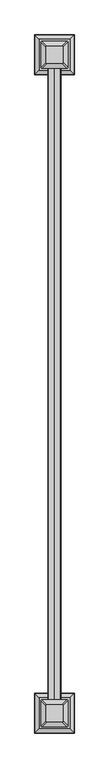
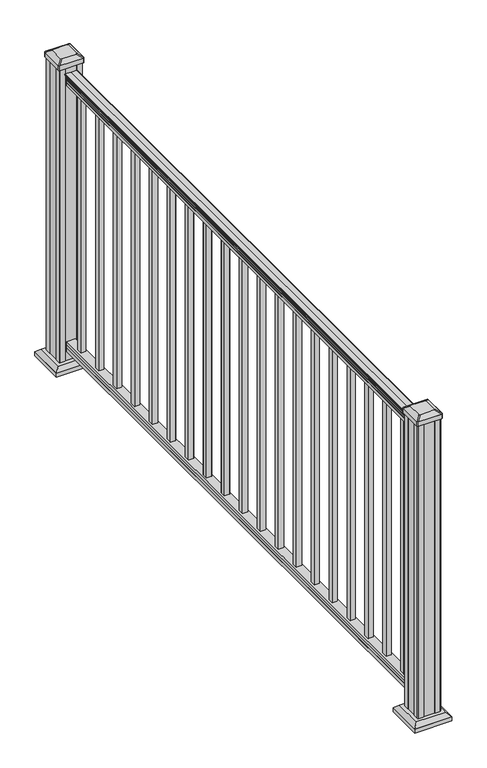
"""IFC4 building model written with IfcOpenShell, lengths in millimetres: railing geometry."""

from ifc_helpers import new_model, si_unit, point, frame, frame_2d, origin, origin_with_axes, place, context, project, spatial, polyline, circle_curve, trimmed, segment, composite_curve, outline, extrude, faceted_brep, source, transform, mapped, element, save
from ifc_brep_helpers import plane_surface, cylinder_surface, revolved_surface, extruded_surface, advanced_brep


def railing_ccd1b922(model_context):
    return source(origin(), model_context, "Body", "SolidModel", [
        advanced_brep(
        [(4217.5291125, 2046.8700183, 1090.8043297), (4220.1029412, 2046.8700183, 1090.8043297), (4220.1029412, 2046.8700183, 1080.147013), (4219.0869412, 2046.8700183, 1079.131013), (4219.0869412, 2046.8700183, 1066.8), (4250.8369412, 2046.8700183, 1066.8), (4250.8369412, 2046.8700183, 1079.2888283), (4249.8209412, 2046.8700183, 1080.3048283), (4249.8209412, 2046.8700183, 1090.8043297), (4252.3947699, 2046.8700183, 1090.8043297), (4252.3947699, 2046.8700183, 1092.692412), (4253.5249562, 2046.8700183, 1094.2546695), (4253.5249562, 2046.8700183, 1101.4726458), (4252.8756998, 2046.8700183, 1103.9060812), (4255.3756998, 2046.8700183, 1108.2362083), (4256.7850423, 2046.8700183, 1109.9157972), (4257.1869413, 2046.8700183, 1111.0205318), (4257.1869412, 2046.8700183, 1112.3608158), (4255.633494, 2046.8700183, 1113.914263), (4234.9619412, 2046.8700183, 1113.914263), (4214.2903884, 2046.8700183, 1113.914263), (4212.7369412, 2046.8700183, 1112.3608158), (4212.7369412, 2046.8700183, 1111.0205318), (4213.1388401, 2046.8700183, 1109.9157972), (4214.5481826, 2046.8700183, 1108.2362083), (4217.0481826, 2046.8700183, 1103.9060812), (4216.3989262, 2046.8700183, 1101.4726458), (4216.3989262, 2046.8700183, 1094.2546695), (4217.5291125, 2046.8700183, 1092.692412), (4217.5291125, 4180.4700183, 1090.8043297), (4217.5291125, 4180.4700183, 1092.692412), (4216.3989262, 4180.4700183, 1094.2546695), (4216.3989262, 4180.4700183, 1101.4726458), (4217.0481826, 4180.4700183, 1103.9060812), (4214.5481826, 4180.4700183, 1108.2362083), (4213.1388401, 4180.4700183, 1109.9157972), (4212.7369411, 4180.4700183, 1111.0205318), (4212.7369412, 4180.4700183, 1112.3608158), (4214.2903884, 4180.4700183, 1113.914263), (4234.9619412, 4180.4700183, 1113.914263), (4255.633494, 4180.4700183, 1113.914263), (4257.1869412, 4180.4700183, 1112.3608158), (4257.1869412, 4180.4700183, 1111.0205318), (4256.7850423, 4180.4700183, 1109.9157972), (4255.3756998, 4180.4700183, 1108.2362083), (4252.8756998, 4180.4700183, 1103.9060812), (4253.5249562, 4180.4700183, 1101.4726458), (4253.5249562, 4180.4700183, 1094.2546695), (4252.3947699, 4180.4700183, 1092.692412), (4252.3947699, 4180.4700183, 1090.8043297), (4249.8209412, 4180.4700183, 1090.8043297), (4249.8209412, 4180.4700183, 1080.3048283), (4250.8369412, 4180.4700183, 1079.2888283), (4250.8369412, 4180.4700183, 1066.8), (4219.0869412, 4180.4700183, 1066.8), (4219.0869412, 4180.4700183, 1079.131013), (4220.1029412, 4180.4700183, 1080.147013), (4220.1029412, 4180.4700183, 1090.8043297)],
        [
            (0, 1, circle_curve(frame((4218.8160268, 2046.8700183, 1090.8043297), z_axis=(0.0, -1.0, 0.0), x_axis=(1.0, 0.0, 0.0)), 1.2869144)),
            (1, 2),
            (2, 3),
            (3, 4),
            (4, 5),
            (5, 6),
            (6, 7),
            (7, 8),
            (8, 9, circle_curve(frame((4251.1078556, 2046.8700183, 1090.8043297), z_axis=(0.0, -1.0, 0.0), x_axis=(-1.0, 0.0, 0.0)), 1.2869144)),
            (9, 10),
            (10, 11, circle_curve(frame((4246.0800167, 2046.8700183, 1098.4506383), z_axis=(0.0, -1.0, 0.0), x_axis=(-1.0, 0.0, 0.0)), 8.545951)),
            (11, 12, circle_curve(frame((4246.5170796, 2046.8700183, 1097.8636577), z_axis=(0.0, -1.0, 0.0), x_axis=(-1.0, 0.0, 0.0)), 7.882584)),
            (12, 13, circle_curve(frame((4257.0304038, 2046.8700183, 1103.7112527), z_axis=(0.0, 1.0, 0.0), x_axis=(-1.0, 0.0, 0.0)), 4.1592695)),
            (13, 14, circle_curve(frame((4258.3177103, 2046.8700183, 1103.6508864), z_axis=(0.0, 1.0, 0.0), x_axis=(-1.0, 0.0, 0.0)), 5.4479907)),
            (14, 15, circle_curve(frame((4257.0845519, 2046.8700183, 1108.233395), z_axis=(0.0, 1.0, 0.0), x_axis=(-1.0, 0.0, 0.0)), 1.7088543)),
            (15, 16, circle_curve(frame((4255.4676518, 2046.8700183, 1111.0205318), z_axis=(0.0, -1.0, 0.0), x_axis=(-1.0, 0.0, 0.0)), 1.7192895)),
            (16, 17),
            (17, 18, circle_curve(frame((4255.633494, 2046.8700183, 1112.3608158), z_axis=(0.0, -1.0, 0.0), x_axis=(-1.0, 0.0, 0.0)), 1.5534472)),
            (18, 19),
            (19, 20),
            (20, 21, circle_curve(frame((4214.2903884, 2046.8700183, 1112.3608158), z_axis=(0.0, -1.0, 0.0), x_axis=(1.0, 0.0, 0.0)), 1.5534472)),
            (21, 22),
            (22, 23, circle_curve(frame((4214.4562306, 2046.8700183, 1111.0205318), z_axis=(0.0, -1.0, 0.0), x_axis=(1.0, 0.0, 0.0)), 1.7192895)),
            (23, 24, circle_curve(frame((4212.8393305, 2046.8700183, 1108.233395), z_axis=(0.0, 1.0, 0.0), x_axis=(1.0, 0.0, 0.0)), 1.7088543)),
            (24, 25, circle_curve(frame((4211.6061721, 2046.8700183, 1103.6508864), z_axis=(0.0, 1.0, 0.0), x_axis=(1.0, 0.0, 0.0)), 5.4479907)),
            (25, 26, circle_curve(frame((4212.8934787, 2046.8700183, 1103.7112527), z_axis=(0.0, 1.0, 0.0), x_axis=(1.0, 0.0, 0.0)), 4.1592695)),
            (26, 27, circle_curve(frame((4223.4068028, 2046.8700183, 1097.8636577), z_axis=(0.0, -1.0, 0.0), x_axis=(1.0, 0.0, 0.0)), 7.882584)),
            (27, 28, circle_curve(frame((4223.8438658, 2046.8700183, 1098.4506383), z_axis=(0.0, -1.0, 0.0), x_axis=(1.0, 0.0, 0.0)), 8.545951)),
            (28, 0),
            (29, 30),
            (30, 31, circle_curve(frame((4223.8438658, 4180.4700183, 1098.4506383), z_axis=(0.0, 1.0, 0.0), x_axis=(1.0, 0.0, 0.0)), 8.545951)),
            (31, 32, circle_curve(frame((4223.4068028, 4180.4700183, 1097.8636577), z_axis=(0.0, 1.0, 0.0), x_axis=(1.0, 0.0, 0.0)), 7.882584)),
            (32, 33, circle_curve(frame((4212.8934787, 4180.4700183, 1103.7112527), z_axis=(0.0, -1.0, 0.0), x_axis=(1.0, 0.0, 0.0)), 4.1592695)),
            (33, 34, circle_curve(frame((4211.6061721, 4180.4700183, 1103.6508864), z_axis=(0.0, -1.0, 0.0), x_axis=(1.0, 0.0, 0.0)), 5.4479907)),
            (34, 35, circle_curve(frame((4212.8393305, 4180.4700183, 1108.233395), z_axis=(0.0, -1.0, 0.0), x_axis=(1.0, 0.0, 0.0)), 1.7088543)),
            (35, 36, circle_curve(frame((4214.4562306, 4180.4700183, 1111.0205318), z_axis=(0.0, 1.0, 0.0), x_axis=(1.0, 0.0, 0.0)), 1.7192895)),
            (36, 37),
            (37, 38, circle_curve(frame((4214.2903884, 4180.4700183, 1112.3608158), z_axis=(0.0, 1.0, 0.0), x_axis=(1.0, 0.0, 0.0)), 1.5534472)),
            (38, 39),
            (39, 40),
            (40, 41, circle_curve(frame((4255.633494, 4180.4700183, 1112.3608158), z_axis=(0.0, 1.0, 0.0), x_axis=(-1.0, 0.0, 0.0)), 1.5534472)),
            (41, 42),
            (42, 43, circle_curve(frame((4255.4676518, 4180.4700183, 1111.0205318), z_axis=(0.0, 1.0, 0.0), x_axis=(-1.0, 0.0, 0.0)), 1.7192895)),
            (43, 44, circle_curve(frame((4257.0845519, 4180.4700183, 1108.233395), z_axis=(0.0, -1.0, 0.0), x_axis=(-1.0, 0.0, 0.0)), 1.7088543)),
            (44, 45, circle_curve(frame((4258.3177103, 4180.4700183, 1103.6508864), z_axis=(0.0, -1.0, 0.0), x_axis=(-1.0, 0.0, 0.0)), 5.4479907)),
            (45, 46, circle_curve(frame((4257.0304038, 4180.4700183, 1103.7112527), z_axis=(0.0, -1.0, 0.0), x_axis=(-1.0, 0.0, 0.0)), 4.1592695)),
            (46, 47, circle_curve(frame((4246.5170796, 4180.4700183, 1097.8636577), z_axis=(0.0, 1.0, 0.0), x_axis=(-1.0, 0.0, 0.0)), 7.882584)),
            (47, 48, circle_curve(frame((4246.0800167, 4180.4700183, 1098.4506383), z_axis=(0.0, 1.0, 0.0), x_axis=(-1.0, 0.0, 0.0)), 8.545951)),
            (48, 49),
            (49, 50, circle_curve(frame((4251.1078556, 4180.4700183, 1090.8043297), z_axis=(0.0, 1.0, 0.0), x_axis=(-1.0, 0.0, 0.0)), 1.2869144)),
            (50, 51),
            (51, 52),
            (52, 53),
            (53, 54),
            (54, 55),
            (55, 56),
            (56, 57),
            (57, 29, circle_curve(frame((4218.8160268, 4180.4700183, 1090.8043297), z_axis=(0.0, 1.0, 0.0), x_axis=(1.0, 0.0, 0.0)), 1.2869144)),
            (0, 29),
            (57, 1),
            (56, 2),
            (55, 3),
            (54, 4),
            (53, 5),
            (52, 6),
            (51, 7),
            (50, 8),
            (49, 9),
            (48, 10),
            (47, 11),
            (46, 12),
            (45, 13),
            (44, 14),
            (43, 15),
            (42, 16),
            (41, 17),
            (40, 18),
            (39, 19),
            (38, 20),
            (37, 21),
            (36, 22),
            (35, 23),
            (34, 24),
            (33, 25),
            (32, 26),
            (31, 27),
            (30, 28),
        ],
        [
            plane_surface(frame((4234.9619412, 2046.8700183, 1066.8), z_axis=(0.0, -1.0, 0.0), x_axis=(0.0, 0.0, 1.0))),
            plane_surface(frame((4234.9619412, 4180.4700183, 1066.8), z_axis=(0.0, 1.0, 0.0), x_axis=(0.0, 0.0, 1.0))),
            cylinder_surface(frame((4218.8160268, 2046.8700183, 1090.8043297), z_axis=(0.0, -1.0, 0.0), x_axis=(1.0, 0.0, 0.0)), 1.2869144),
            plane_surface(frame((4220.1029412, 2046.8700183, 1090.8043297), z_axis=(-1.0, 0.0, 0.0), x_axis=(0.0, 1.0, 0.0))),
            plane_surface(frame((4220.1029412, 2046.8700183, 1080.147013), z_axis=(-0.7071067811865395, 0.0, 0.7071067811865556), x_axis=(0.0, 1.0, 0.0))),
            plane_surface(frame((4219.0869412, 2046.8700183, 1079.131013), z_axis=(-1.0, 0.0, 0.0), x_axis=(0.0, 1.0, 0.0))),
            plane_surface(frame((4219.0869412, 2046.8700183, 1066.8), z_axis=(0.0, 0.0, -1.0), x_axis=(0.0, 1.0, 0.0))),
            plane_surface(frame((4250.8369412, 2046.8700183, 1066.8), z_axis=(1.0, 0.0, 0.0), x_axis=(0.0, 1.0, 0.0))),
            plane_surface(frame((4250.8369412, 2046.8700183, 1079.2888283), z_axis=(0.7071067811865432, 0.0, 0.707106781186552), x_axis=(0.0, 1.0, 0.0))),
            plane_surface(frame((4249.8209412, 2046.8700183, 1080.3048283), z_axis=(1.0, 0.0, 0.0), x_axis=(0.0, 1.0, 0.0))),
            cylinder_surface(frame((4251.1078556, 2046.8700183, 1090.8043297), z_axis=(0.0, -1.0, 0.0), x_axis=(-1.0, 0.0, 0.0)), 1.2869144),
            plane_surface(frame((4252.3947699, 2046.8700183, 1090.8043297), z_axis=(1.0, 0.0, 0.0), x_axis=(0.0, 1.0, 0.0))),
            cylinder_surface(frame((4246.0800167, 2046.8700183, 1098.4506383), z_axis=(0.0, -1.0, 0.0), x_axis=(-1.0, 0.0, 0.0)), 8.545951),
            cylinder_surface(frame((4246.5170796, 2046.8700183, 1097.8636577), z_axis=(0.0, -1.0, 0.0), x_axis=(-1.0, 0.0, 0.0)), 7.882584),
            revolved_surface(polyline([(4252.8711343, 4180.4700183, 1103.7112527), (4252.8711343, 2046.8700183, 1103.7112527)]), (4257.0304038, 2046.8700183, 1103.7112527), (0.0, 1.0, 0.0)),
            revolved_surface(polyline([(4252.869719599999, 4180.4700183, 1103.6508864), (4252.869719599999, 2046.8700183, 1103.6508864)]), (4258.3177103, 2046.8700183, 1103.6508864), (0.0, 1.0, 0.0)),
            revolved_surface(polyline([(4255.3756976, 4180.4700183, 1108.233395), (4255.3756976, 2046.8700183, 1108.233395)]), (4257.0845519, 2046.8700183, 1108.233395), (0.0, 1.0, 0.0)),
            cylinder_surface(frame((4255.4676518, 2046.8700183, 1111.0205318), z_axis=(0.0, -1.0, 0.0), x_axis=(-1.0, 0.0, 0.0)), 1.7192895),
            plane_surface(frame((4257.1869412, 2046.8700183, 1111.0205318), z_axis=(1.0, 0.0, 0.0), x_axis=(0.0, 1.0, 0.0))),
            cylinder_surface(frame((4255.633494, 2046.8700183, 1112.3608158), z_axis=(0.0, -1.0, 0.0), x_axis=(-1.0, 0.0, 0.0)), 1.5534472),
            plane_surface(frame((4255.633494, 2046.8700183, 1113.914263), z_axis=(0.0, 0.0, 1.0), x_axis=(0.0, 1.0, 0.0))),
            plane_surface(frame((4234.9619412, 2046.8700183, 1113.914263), z_axis=(0.0, 0.0, 1.0), x_axis=(0.0, 1.0, 0.0))),
            cylinder_surface(frame((4214.2903884, 2046.8700183, 1112.3608158), z_axis=(0.0, -1.0, 0.0), x_axis=(1.0, 0.0, 0.0)), 1.5534472),
            plane_surface(frame((4212.7369412, 2046.8700183, 1112.3608158), z_axis=(-1.0, 0.0, 0.0), x_axis=(0.0, 1.0, 0.0))),
            cylinder_surface(frame((4214.4562306, 2046.8700183, 1111.0205318), z_axis=(0.0, -1.0, 0.0), x_axis=(1.0, 0.0, 0.0)), 1.7192895),
            revolved_surface(polyline([(4214.5481848, 4180.4700183, 1108.233395), (4214.5481848, 2046.8700183, 1108.233395)]), (4212.8393305, 2046.8700183, 1108.233395), (0.0, 1.0, 0.0)),
            revolved_surface(polyline([(4217.0541628, 4180.4700183, 1103.6508864), (4217.0541628, 2046.8700183, 1103.6508864)]), (4211.6061721, 2046.8700183, 1103.6508864), (0.0, 1.0, 0.0)),
            revolved_surface(polyline([(4217.0527482, 4180.4700183, 1103.7112527), (4217.0527482, 2046.8700183, 1103.7112527)]), (4212.8934787, 2046.8700183, 1103.7112527), (0.0, 1.0, 0.0)),
            cylinder_surface(frame((4223.4068028, 2046.8700183, 1097.8636577), z_axis=(0.0, -1.0, 0.0), x_axis=(1.0, 0.0, 0.0)), 7.882584),
            cylinder_surface(frame((4223.8438658, 2046.8700183, 1098.4506383), z_axis=(0.0, -1.0, 0.0), x_axis=(1.0, 0.0, 0.0)), 8.545951),
            plane_surface(frame((4217.5291125, 2046.8700183, 1092.692412), z_axis=(-1.0, 0.0, 0.0), x_axis=(0.0, 1.0, 0.0))),
        ],
        [
            (0, [[1, 2, 3, 4, 5, 6, 7, 8, 9, 10, 11, 12, 13, 14, 15, 16, 17, 18, 19, 20, 21, 22, 23, 24, 25, 26, 27, 28, 29]]),
            (1, [[30, 31, 32, 33, 34, 35, 36, 37, 38, 39, 40, 41, 42, 43, 44, 45, 46, 47, 48, 49, 50, 51, 52, 53, 54, 55, 56, 57, 58]]),
            (2, [[-1, 59, -58, 60]]),
            (3, [[-2, -60, -57, 61]]),
            (4, [[-3, -61, -56, 62]]),
            (5, [[-4, -62, -55, 63]]),
            (6, [[-5, -63, -54, 64]]),
            (7, [[-6, -64, -53, 65]]),
            (8, [[-7, -65, -52, 66]]),
            (9, [[-8, -66, -51, 67]]),
            (10, [[-9, -67, -50, 68]]),
            (11, [[-10, -68, -49, 69]]),
            (12, [[-11, -69, -48, 70]]),
            (13, [[-12, -70, -47, 71]]),
            (14, [[-13, -71, -46, 72]]),
            (15, [[-14, -72, -45, 73]]),
            (16, [[-15, -73, -44, 74]]),
            (17, [[-16, -74, -43, 75]]),
            (18, [[-17, -75, -42, 76]]),
            (19, [[-18, -76, -41, 77]]),
            (20, [[-19, -77, -40, 78]]),
            (21, [[-20, -78, -39, 79]]),
            (22, [[-21, -79, -38, 80]]),
            (23, [[-22, -80, -37, 81]]),
            (24, [[-23, -81, -36, 82]]),
            (25, [[-24, -82, -35, 83]]),
            (26, [[-25, -83, -34, 84]]),
            (27, [[-26, -84, -33, 85]]),
            (28, [[-27, -85, -32, 86]]),
            (29, [[-28, -86, -31, 87]]),
            (30, [[-29, -87, -30, -59]]),
        ],
    ),
        faceted_brep([(4219.0494543, 2046.8700183, 76.0541976), (4219.0494543, 2046.8700183, 63.5), (4250.7994543, 2046.8700183, 63.5), (4250.7994543, 2046.8700183, 76.0375508), (4249.7834543, 2046.8700183, 77.3858283), (4249.7834543, 2046.8700183, 87.6975248), (4250.7994543, 2046.8700183, 89.0458024), (4250.7994543, 2046.8700183, 101.5958781), (4219.0494543, 2046.8700183, 101.5958781), (4219.0494543, 2046.8700183, 89.0624492), (4220.0654543, 2046.8700183, 87.7141717), (4220.0654543, 2046.8700183, 77.3546183), (4219.0494543, 4180.4700183, 76.0541976), (4220.0654543, 4180.4700183, 77.3546183), (4220.0654543, 4180.4700183, 87.7141717), (4219.0494543, 4180.4700183, 89.0624492), (4219.0494543, 4180.4700183, 101.5958781), (4250.7994543, 4180.4700183, 101.5958781), (4250.7994543, 4180.4700183, 89.0458024), (4249.7834543, 4180.4700183, 87.6975248), (4249.7834543, 4180.4700183, 77.3858283), (4250.7994543, 4180.4700183, 76.0375508), (4250.7994543, 4180.4700183, 63.5), (4219.0494543, 4180.4700183, 63.5)], [[[0, 1, 2, 3, 4, 5, 6, 7, 8, 9, 10, 11]], [[12, 13, 14, 15, 16, 17, 18, 19, 20, 21, 22, 23]], [[1, 0, 12, 23]], [[2, 1, 23, 22]], [[3, 2, 22, 21]], [[4, 3, 21, 20]], [[5, 4, 20, 19]], [[6, 5, 19, 18]], [[7, 6, 18, 17]], [[8, 7, 17, 16]], [[9, 8, 16, 15]], [[10, 9, 15, 14]], [[11, 10, 14, 13]], [[0, 11, 13, 12]]]),
        extrude(outline(polyline([(4225.4369412, 4104.2700183), (4225.4369412, 4123.3200183), (4244.4869412, 4123.3200183), (4244.4869412, 4104.2700183), (4225.4369412, 4104.2700183)]), holes=[polyline([(4225.8338162, 4104.6668933), (4244.0900662, 4104.6668933), (4244.0900662, 4122.9231433), (4225.8338162, 4122.9231433), (4225.8338162, 4104.6668933)])]), frame((0.0, 0.0, 101.5958781), z_axis=(0.0, 0.0, 1.0), x_axis=(1.0, 0.0, 0.0)), (0.0, 0.0, 1.0), 965.2041219),
        extrude(outline(polyline([(4225.4369412, 3993.1450183), (4225.4369412, 4012.1950183), (4244.4869412, 4012.1950183), (4244.4869412, 3993.1450183), (4225.4369412, 3993.1450183)]), holes=[polyline([(4225.8338162, 3993.5418933), (4244.0900662, 3993.5418933), (4244.0900662, 4011.7981433), (4225.8338162, 4011.7981433), (4225.8338162, 3993.5418933)])]), frame((0.0, 0.0, 101.5958781), z_axis=(0.0, 0.0, 1.0), x_axis=(1.0, 0.0, 0.0)), (0.0, 0.0, 1.0), 965.2041219),
        extrude(outline(polyline([(4225.4369412, 3882.0200183), (4225.4369412, 3901.0700183), (4244.4869412, 3901.0700183), (4244.4869412, 3882.0200183), (4225.4369412, 3882.0200183)]), holes=[polyline([(4225.8338162, 3882.4168933), (4244.0900662, 3882.4168933), (4244.0900662, 3900.6731433), (4225.8338162, 3900.6731433), (4225.8338162, 3882.4168933)])]), frame((0.0, 0.0, 101.5958781), z_axis=(0.0, 0.0, 1.0), x_axis=(1.0, 0.0, 0.0)), (0.0, 0.0, 1.0), 965.2041219),
        extrude(outline(polyline([(4225.4369412, 3770.8950183), (4225.4369412, 3789.9450183), (4244.4869412, 3789.9450183), (4244.4869412, 3770.8950183), (4225.4369412, 3770.8950183)]), holes=[polyline([(4225.8338162, 3771.2918933), (4244.0900662, 3771.2918933), (4244.0900662, 3789.5481433), (4225.8338162, 3789.5481433), (4225.8338162, 3771.2918933)])]), frame((0.0, 0.0, 101.5958781), z_axis=(0.0, 0.0, 1.0), x_axis=(1.0, 0.0, 0.0)), (0.0, 0.0, 1.0), 965.2041219),
        extrude(outline(polyline([(4225.4369412, 3659.7700183), (4225.4369412, 3678.8200183), (4244.4869412, 3678.8200183), (4244.4869412, 3659.7700183), (4225.4369412, 3659.7700183)]), holes=[polyline([(4225.8338162, 3660.1668933), (4244.0900662, 3660.1668933), (4244.0900662, 3678.4231433), (4225.8338162, 3678.4231433), (4225.8338162, 3660.1668933)])]), frame((0.0, 0.0, 101.5958781), z_axis=(0.0, 0.0, 1.0), x_axis=(1.0, 0.0, 0.0)), (0.0, 0.0, 1.0), 965.2041219),
        extrude(outline(polyline([(4225.4369412, 3548.6450183), (4225.4369412, 3567.6950183), (4244.4869412, 3567.6950183), (4244.4869412, 3548.6450183), (4225.4369412, 3548.6450183)]), holes=[polyline([(4225.8338162, 3549.0418933), (4244.0900662, 3549.0418933), (4244.0900662, 3567.2981433), (4225.8338162, 3567.2981433), (4225.8338162, 3549.0418933)])]), frame((0.0, 0.0, 101.5958781), z_axis=(0.0, 0.0, 1.0), x_axis=(1.0, 0.0, 0.0)), (0.0, 0.0, 1.0), 965.2041219),
        extrude(outline(polyline([(4225.4369412, 3437.5200183), (4225.4369412, 3456.5700183), (4244.4869412, 3456.5700183), (4244.4869412, 3437.5200183), (4225.4369412, 3437.5200183)]), holes=[polyline([(4225.8338162, 3437.9168933), (4244.0900662, 3437.9168933), (4244.0900662, 3456.1731433), (4225.8338162, 3456.1731433), (4225.8338162, 3437.9168933)])]), frame((0.0, 0.0, 101.5958781), z_axis=(0.0, 0.0, 1.0), x_axis=(1.0, 0.0, 0.0)), (0.0, 0.0, 1.0), 965.2041219),
        extrude(outline(polyline([(4225.4369412, 3326.3950183), (4225.4369412, 3345.4450183), (4244.4869412, 3345.4450183), (4244.4869412, 3326.3950183), (4225.4369412, 3326.3950183)]), holes=[polyline([(4225.8338162, 3326.7918933), (4244.0900662, 3326.7918933), (4244.0900662, 3345.0481433), (4225.8338162, 3345.0481433), (4225.8338162, 3326.7918933)])]), frame((0.0, 0.0, 101.5958781), z_axis=(0.0, 0.0, 1.0), x_axis=(1.0, 0.0, 0.0)), (0.0, 0.0, 1.0), 965.2041219),
        extrude(outline(polyline([(4225.4369412, 3215.2700183), (4225.4369412, 3234.3200183), (4244.4869412, 3234.3200183), (4244.4869412, 3215.2700183), (4225.4369412, 3215.2700183)]), holes=[polyline([(4225.8338162, 3215.6668933), (4244.0900662, 3215.6668933), (4244.0900662, 3233.9231433), (4225.8338162, 3233.9231433), (4225.8338162, 3215.6668933)])]), frame((0.0, 0.0, 101.5958781), z_axis=(0.0, 0.0, 1.0), x_axis=(1.0, 0.0, 0.0)), (0.0, 0.0, 1.0), 965.2041219),
        extrude(outline(polyline([(4225.4369412, 3104.1450183), (4225.4369412, 3123.1950183), (4244.4869412, 3123.1950183), (4244.4869412, 3104.1450183), (4225.4369412, 3104.1450183)]), holes=[polyline([(4225.8338162, 3104.5418933), (4244.0900662, 3104.5418933), (4244.0900662, 3122.7981433), (4225.8338162, 3122.7981433), (4225.8338162, 3104.5418933)])]), frame((0.0, 0.0, 101.5958781), z_axis=(0.0, 0.0, 1.0), x_axis=(1.0, 0.0, 0.0)), (0.0, 0.0, 1.0), 965.2041219),
        extrude(outline(polyline([(4225.4369412, 2993.0200183), (4225.4369412, 3012.0700183), (4244.4869412, 3012.0700183), (4244.4869412, 2993.0200183), (4225.4369412, 2993.0200183)]), holes=[polyline([(4225.8338162, 2993.4168933), (4244.0900662, 2993.4168933), (4244.0900662, 3011.6731433), (4225.8338162, 3011.6731433), (4225.8338162, 2993.4168933)])]), frame((0.0, 0.0, 101.5958781), z_axis=(0.0, 0.0, 1.0), x_axis=(1.0, 0.0, 0.0)), (0.0, 0.0, 1.0), 965.2041219),
        extrude(outline(polyline([(4225.4369412, 2881.8950183), (4225.4369412, 2900.9450183), (4244.4869412, 2900.9450183), (4244.4869412, 2881.8950183), (4225.4369412, 2881.8950183)]), holes=[polyline([(4225.8338162, 2882.2918933), (4244.0900662, 2882.2918933), (4244.0900662, 2900.5481433), (4225.8338162, 2900.5481433), (4225.8338162, 2882.2918933)])]), frame((0.0, 0.0, 101.5958781), z_axis=(0.0, 0.0, 1.0), x_axis=(1.0, 0.0, 0.0)), (0.0, 0.0, 1.0), 965.2041219),
        extrude(outline(polyline([(4225.4369412, 2770.7700183), (4225.4369412, 2789.8200183), (4244.4869412, 2789.8200183), (4244.4869412, 2770.7700183), (4225.4369412, 2770.7700183)]), holes=[polyline([(4225.8338162, 2771.1668933), (4244.0900662, 2771.1668933), (4244.0900662, 2789.4231433), (4225.8338162, 2789.4231433), (4225.8338162, 2771.1668933)])]), frame((0.0, 0.0, 101.5958781), z_axis=(0.0, 0.0, 1.0), x_axis=(1.0, 0.0, 0.0)), (0.0, 0.0, 1.0), 965.2041219),
        extrude(outline(polyline([(4225.4369412, 2659.6450183), (4225.4369412, 2678.6950183), (4244.4869412, 2678.6950183), (4244.4869412, 2659.6450183), (4225.4369412, 2659.6450183)]), holes=[polyline([(4225.8338162, 2660.0418933), (4244.0900662, 2660.0418933), (4244.0900662, 2678.2981433), (4225.8338162, 2678.2981433), (4225.8338162, 2660.0418933)])]), frame((0.0, 0.0, 101.5958781), z_axis=(0.0, 0.0, 1.0), x_axis=(1.0, 0.0, 0.0)), (0.0, 0.0, 1.0), 965.2041219),
        extrude(outline(polyline([(4225.4369412, 2548.5200183), (4225.4369412, 2567.5700183), (4244.4869412, 2567.5700183), (4244.4869412, 2548.5200183), (4225.4369412, 2548.5200183)]), holes=[polyline([(4225.8338162, 2548.9168933), (4244.0900662, 2548.9168933), (4244.0900662, 2567.1731433), (4225.8338162, 2567.1731433), (4225.8338162, 2548.9168933)])]), frame((0.0, 0.0, 101.5958781), z_axis=(0.0, 0.0, 1.0), x_axis=(1.0, 0.0, 0.0)), (0.0, 0.0, 1.0), 965.2041219),
        extrude(outline(polyline([(4225.4369412, 2437.3950183), (4225.4369412, 2456.4450183), (4244.4869412, 2456.4450183), (4244.4869412, 2437.3950183), (4225.4369412, 2437.3950183)]), holes=[polyline([(4225.8338162, 2437.7918933), (4244.0900662, 2437.7918933), (4244.0900662, 2456.0481433), (4225.8338162, 2456.0481433), (4225.8338162, 2437.7918933)])]), frame((0.0, 0.0, 101.5958781), z_axis=(0.0, 0.0, 1.0), x_axis=(1.0, 0.0, 0.0)), (0.0, 0.0, 1.0), 965.2041219),
        extrude(outline(polyline([(4225.4369412, 2326.2700183), (4225.4369412, 2345.3200183), (4244.4869412, 2345.3200183), (4244.4869412, 2326.2700183), (4225.4369412, 2326.2700183)]), holes=[polyline([(4225.8338162, 2326.6668933), (4244.0900662, 2326.6668933), (4244.0900662, 2344.9231433), (4225.8338162, 2344.9231433), (4225.8338162, 2326.6668933)])]), frame((0.0, 0.0, 101.5958781), z_axis=(0.0, 0.0, 1.0), x_axis=(1.0, 0.0, 0.0)), (0.0, 0.0, 1.0), 965.2041219),
        extrude(outline(polyline([(4225.4369412, 2215.1450183), (4225.4369412, 2234.1950183), (4244.4869412, 2234.1950183), (4244.4869412, 2215.1450183), (4225.4369412, 2215.1450183)]), holes=[polyline([(4225.8338162, 2215.5418933), (4244.0900662, 2215.5418933), (4244.0900662, 2233.7981433), (4225.8338162, 2233.7981433), (4225.8338162, 2215.5418933)])]), frame((0.0, 0.0, 101.5958781), z_axis=(0.0, 0.0, 1.0), x_axis=(1.0, 0.0, 0.0)), (0.0, 0.0, 1.0), 965.2041219),
        extrude(outline(polyline([(4225.4369412, 2104.0200183), (4225.4369412, 2123.0700183), (4244.4869412, 2123.0700183), (4244.4869412, 2104.0200183), (4225.4369412, 2104.0200183)]), holes=[polyline([(4225.8338162, 2104.4168933), (4244.0900662, 2104.4168933), (4244.0900662, 2122.6731433), (4225.8338162, 2122.6731433), (4225.8338162, 2104.4168933)])]), frame((0.0, 0.0, 101.5958781), z_axis=(0.0, 0.0, 1.0), x_axis=(1.0, 0.0, 0.0)), (0.0, 0.0, 1.0), 965.2041219),
        faceted_brep([(4182.3760037, 4169.1590808, 28.575), (4287.5478787, 4169.1590808, 28.575), (4287.5478787, 4274.3309558, 28.575), (4182.3760037, 4274.3309558, 28.575), (4168.3365506, 4155.1196276, 15.24), (4168.3365506, 4288.3704089, 15.24), (4301.5873318, 4288.3704089, 15.24), (4301.5873318, 4155.1196276, 15.24)], [[[0, 1, 2, 3]], [[4, 5, 6, 7]], [[4, 7, 1, 0]], [[7, 6, 2, 1]], [[6, 5, 3, 2]], [[5, 4, 0, 3]]]),
        extrude(outline(polyline([(4168.3365506, 4155.1196276), (4168.3365506, 4288.3704089), (4301.5873318, 4288.3704089), (4301.5873318, 4155.1196276), (4168.3365506, 4155.1196276)])), origin_with_axes(), (0.0, 0.0, 1.0), 15.24),
        advanced_brep(
        [(4260.7588162, 4192.7731433, 1165.225), (4263.9338162, 4195.9481433, 1165.225), (4263.9338162, 4247.5418933, 1165.225), (4260.7588162, 4250.7168933, 1165.225), (4209.1650662, 4250.7168933, 1165.225), (4205.9900662, 4247.5418933, 1165.225), (4205.9900662, 4195.9481433, 1165.225), (4209.1650662, 4192.7731433, 1165.225), (4277.0306912, 4176.5012683, 1153.922), (4192.8931912, 4176.5012683, 1153.922), (4189.7181912, 4179.6762683, 1153.922), (4189.7181912, 4263.8137683, 1153.922), (4192.8931912, 4266.9887683, 1153.922), (4277.0306912, 4266.9887683, 1153.922), (4280.2056912, 4263.8137683, 1153.922), (4280.2056912, 4179.6762683, 1153.922)],
        [
            (0, 1, circle_curve(frame((4260.7588162, 4195.9481433, 1165.225), z_axis=(0.0, 0.0, 1.0), x_axis=(0.0, 1.0, 0.0)), 3.175)),
            (1, 2),
            (2, 3, circle_curve(frame((4260.7588162, 4247.5418933, 1165.225), z_axis=(0.0, 0.0, 1.0), x_axis=(0.0, 1.0, 0.0)), 3.175)),
            (3, 4),
            (4, 5, circle_curve(frame((4209.1650662, 4247.5418933, 1165.225), z_axis=(0.0, 0.0, 1.0), x_axis=(0.0, 1.0, 0.0)), 3.175)),
            (5, 6),
            (6, 7, circle_curve(frame((4209.1650662, 4195.9481433, 1165.225), z_axis=(0.0, 0.0, 1.0), x_axis=(0.0, 1.0, 0.0)), 3.175)),
            (7, 0),
            (8, 9),
            (9, 10, circle_curve(frame((4192.8931912, 4179.6762683, 1153.922), z_axis=(0.0, 0.0, -1.0), x_axis=(0.0, 1.0, 0.0)), 3.175)),
            (10, 11),
            (11, 12, circle_curve(frame((4192.8931912, 4263.8137683, 1153.922), z_axis=(0.0, 0.0, -1.0), x_axis=(0.0, 1.0, 0.0)), 3.175)),
            (12, 13),
            (13, 14, circle_curve(frame((4277.0306912, 4263.8137683, 1153.922), z_axis=(0.0, 0.0, -1.0), x_axis=(0.0, 1.0, 0.0)), 3.175)),
            (14, 15),
            (15, 8, circle_curve(frame((4277.0306912, 4179.6762683, 1153.922), z_axis=(0.0, 0.0, -1.0), x_axis=(0.0, 1.0, 0.0)), 3.175)),
            (15, 1),
            (0, 8),
            (14, 2),
            (13, 3),
            (12, 4),
            (11, 5),
            (10, 6),
            (9, 7),
        ],
        [
            plane_surface(frame((4234.9619412, 4221.7450183, 1165.225), z_axis=(0.0, 0.0, 1.0), x_axis=(1.0, 0.0, 0.0))),
            plane_surface(frame((4234.9619412, 4221.7450183, 1153.922), z_axis=(0.0, 0.0, -1.0), x_axis=(1.0, 0.0, 0.0))),
            extruded_surface(trimmed(circle_curve(frame((4277.0306912, 4179.6762683, 1153.922), z_axis=(0.0, 0.0, 1.0), x_axis=(0.0, 1.0, 0.0)), 3.175), [point((4277.0306912, 4176.5012683, 1153.922))], [point((4280.2056912, 4179.6762683, 1153.922))], True, "CARTESIAN"), (-16.271874999999454, 16.271875000000364, 11.302999999999884), 25.637972638865996),
            plane_surface(frame((4280.2056912, 4221.7450183, 1153.922), z_axis=(0.5705009161540777, 0.0, 0.8212969649690409), x_axis=(0.0, 1.0, 0.0))),
            extruded_surface(trimmed(circle_curve(frame((4277.0306912, 4263.8137683, 1153.922), z_axis=(0.0, 0.0, 1.0), x_axis=(0.0, 1.0, 0.0)), 3.175), [point((4280.2056912, 4263.8137683, 1153.922))], [point((4277.0306912, 4266.9887683, 1153.922))], True, "CARTESIAN"), (-16.271874999999454, -16.271875000000364, 11.302999999999884), 25.637972638865996),
            plane_surface(frame((4234.9619412, 4266.9887683, 1153.922), z_axis=(0.0, 0.5705009161540291, 0.8212969649690747), x_axis=(-1.0, 0.0, 0.0))),
            extruded_surface(trimmed(circle_curve(frame((4192.8931912, 4263.8137683, 1153.922), z_axis=(0.0, 0.0, 1.0), x_axis=(0.0, 1.0, 0.0)), 3.175), [point((4192.8931912, 4266.9887683, 1153.922))], [point((4189.7181912, 4263.8137683, 1153.922))], True, "CARTESIAN"), (16.271875000000364, -16.271875000000364, 11.302999999999884), 25.63797263886657),
            plane_surface(frame((4189.7181912, 4221.7450183, 1153.922), z_axis=(-0.5705009161540143, 0.0, 0.821296964969085), x_axis=(0.0, -1.0, 0.0))),
            extruded_surface(trimmed(circle_curve(frame((4192.8931912, 4179.6762683, 1153.922), z_axis=(0.0, 0.0, 1.0), x_axis=(0.0, 1.0, 0.0)), 3.175), [point((4189.7181912, 4179.6762683, 1153.922))], [point((4192.8931912, 4176.5012683, 1153.922))], True, "CARTESIAN"), (16.271875000000364, 16.271875000000364, 11.302999999999884), 25.63797263886657),
            plane_surface(frame((4234.9619412, 4176.5012683, 1153.922), z_axis=(0.0, -0.570500916154034, 0.8212969649690713), x_axis=(1.0, 0.0, 0.0))),
        ],
        [
            (0, [[1, 2, 3, 4, 5, 6, 7, 8]]),
            (1, [[9, 10, 11, 12, 13, 14, 15, 16]]),
            (2, [[-16, 17, -1, 18]]),
            (3, [[-15, 19, -2, -17]]),
            (4, [[-14, 20, -3, -19]]),
            (5, [[-13, 21, -4, -20]]),
            (6, [[-12, 22, -5, -21]]),
            (7, [[-11, 23, -6, -22]]),
            (8, [[-10, 24, -7, -23]]),
            (9, [[-9, -18, -8, -24]]),
        ],
    ),
        extrude(outline(composite_curve([segment(polyline([(4277.0306912, 4176.5012683), (4192.8931912, 4176.5012683)]), True, "CONTINUOUS"), segment(trimmed(circle_curve(frame_2d((4192.8931912, 4179.6762683)), 3.175), [point((4192.8931912, 4176.5012683))], [point((4189.7181912, 4179.6762683))], False, "CARTESIAN"), True, "CONTINUOUS"), segment(polyline([(4189.7181912, 4179.6762683), (4189.7181912, 4263.8137683)]), True, "CONTINUOUS"), segment(trimmed(circle_curve(frame_2d((4192.8931912, 4263.8137683)), 3.175), [point((4189.7181912, 4263.8137683))], [point((4192.8931912, 4266.9887683))], False, "CARTESIAN"), True, "CONTINUOUS"), segment(polyline([(4192.8931912, 4266.9887683), (4277.0306912, 4266.9887683)]), True, "CONTINUOUS"), segment(trimmed(circle_curve(frame_2d((4277.0306912, 4263.8137683)), 3.175), [point((4277.0306912, 4266.9887683))], [point((4280.2056912, 4263.8137683))], False, "CARTESIAN"), True, "CONTINUOUS"), segment(polyline([(4280.2056912, 4263.8137683), (4280.2056912, 4179.6762683)]), True, "CONTINUOUS"), segment(trimmed(circle_curve(frame_2d((4277.0306912, 4179.6762683)), 3.175), [point((4280.2056912, 4179.6762683))], [point((4277.0306912, 4176.5012683))], False, "CARTESIAN"), True, "CONTINUOUS")], self_intersect=False)), frame((0.0, 0.0, 1136.65), z_axis=(0.0, 0.0, 1.0), x_axis=(1.0, 0.0, 0.0)), (0.0, 0.0, 1.0), 17.272),
        extrude(outline(polyline([(4274.6494412, 4180.4700183), (4255.0279412, 4180.4700183), (4254.2659412, 4182.0575183), (4215.6579412, 4182.0575183), (4214.8959412, 4180.4700183), (4195.2744412, 4180.4700183), (4193.6869412, 4182.0575183), (4193.6869412, 4201.6790183), (4195.2744412, 4202.4410183), (4195.2744412, 4241.0490183), (4193.6869412, 4241.8110183), (4193.6869412, 4261.4325183), (4195.2744412, 4263.0200183), (4214.8959412, 4263.0200183), (4215.6579412, 4261.4325183), (4254.2659412, 4261.4325183), (4255.0279412, 4263.0200183), (4274.6494412, 4263.0200183), (4276.2369412, 4261.4325183), (4276.2369412, 4241.8110183), (4274.6494412, 4241.0490183), (4274.6494412, 4202.4410183), (4276.2369412, 4201.6790183), (4276.2369412, 4182.0575183), (4274.6494412, 4180.4700183)])), origin_with_axes(), (0.0, 0.0, 1.0), 1136.65),
        faceted_brep([(4182.3760037, 1953.0090808, 28.575), (4287.5478787, 1953.0090808, 28.575), (4287.5478787, 2058.1809558, 28.575), (4182.3760037, 2058.1809558, 28.575), (4168.3365506, 1938.9696276, 15.24), (4168.3365506, 2072.2204089, 15.24), (4301.5873318, 2072.2204089, 15.24), (4301.5873318, 1938.9696276, 15.24)], [[[0, 1, 2, 3]], [[4, 5, 6, 7]], [[4, 7, 1, 0]], [[7, 6, 2, 1]], [[6, 5, 3, 2]], [[5, 4, 0, 3]]]),
        extrude(outline(polyline([(4168.3365506, 1938.9696276), (4168.3365506, 2072.2204089), (4301.5873318, 2072.2204089), (4301.5873318, 1938.9696276), (4168.3365506, 1938.9696276)])), origin_with_axes(), (0.0, 0.0, 1.0), 15.24),
        advanced_brep(
        [(4260.7588162, 1976.6231433, 1165.225), (4263.9338162, 1979.7981433, 1165.225), (4263.9338162, 2031.3918933, 1165.225), (4260.7588162, 2034.5668933, 1165.225), (4209.1650662, 2034.5668933, 1165.225), (4205.9900662, 2031.3918933, 1165.225), (4205.9900662, 1979.7981433, 1165.225), (4209.1650662, 1976.6231433, 1165.225), (4277.0306912, 1960.3512683, 1153.922), (4192.8931912, 1960.3512683, 1153.922), (4189.7181912, 1963.5262683, 1153.922), (4189.7181912, 2047.6637683, 1153.922), (4192.8931912, 2050.8387683, 1153.922), (4277.0306912, 2050.8387683, 1153.922), (4280.2056912, 2047.6637683, 1153.922), (4280.2056912, 1963.5262683, 1153.922)],
        [
            (0, 1, circle_curve(frame((4260.7588162, 1979.7981433, 1165.225), z_axis=(0.0, 0.0, 1.0), x_axis=(0.0, 1.0, 0.0)), 3.175)),
            (1, 2),
            (2, 3, circle_curve(frame((4260.7588162, 2031.3918933, 1165.225), z_axis=(0.0, 0.0, 1.0), x_axis=(0.0, 1.0, 0.0)), 3.175)),
            (3, 4),
            (4, 5, circle_curve(frame((4209.1650662, 2031.3918933, 1165.225), z_axis=(0.0, 0.0, 1.0), x_axis=(0.0, 1.0, 0.0)), 3.175)),
            (5, 6),
            (6, 7, circle_curve(frame((4209.1650662, 1979.7981433, 1165.225), z_axis=(0.0, 0.0, 1.0), x_axis=(0.0, 1.0, 0.0)), 3.175)),
            (7, 0),
            (8, 9),
            (9, 10, circle_curve(frame((4192.8931912, 1963.5262683, 1153.922), z_axis=(0.0, 0.0, -1.0), x_axis=(0.0, 1.0, 0.0)), 3.175)),
            (10, 11),
            (11, 12, circle_curve(frame((4192.8931912, 2047.6637683, 1153.922), z_axis=(0.0, 0.0, -1.0), x_axis=(0.0, 1.0, 0.0)), 3.175)),
            (12, 13),
            (13, 14, circle_curve(frame((4277.0306912, 2047.6637683, 1153.922), z_axis=(0.0, 0.0, -1.0), x_axis=(0.0, 1.0, 0.0)), 3.175)),
            (14, 15),
            (15, 8, circle_curve(frame((4277.0306912, 1963.5262683, 1153.922), z_axis=(0.0, 0.0, -1.0), x_axis=(0.0, 1.0, 0.0)), 3.175)),
            (15, 1),
            (0, 8),
            (14, 2),
            (13, 3),
            (12, 4),
            (11, 5),
            (10, 6),
            (9, 7),
        ],
        [
            plane_surface(frame((4234.9619412, 2005.5950183, 1165.225), z_axis=(0.0, 0.0, 1.0), x_axis=(1.0, 0.0, 0.0))),
            plane_surface(frame((4234.9619412, 2005.5950183, 1153.922), z_axis=(0.0, 0.0, -1.0), x_axis=(1.0, 0.0, 0.0))),
            extruded_surface(trimmed(circle_curve(frame((4277.0306912, 1963.5262683, 1153.922), z_axis=(0.0, 0.0, 1.0), x_axis=(0.0, 1.0, 0.0)), 3.175), [point((4277.0306912, 1960.3512683, 1153.922))], [point((4280.2056912, 1963.5262683, 1153.922))], True, "CARTESIAN"), (-16.271874999999454, 16.27187499999991, 11.302999999999884), 25.63797263886571),
            plane_surface(frame((4280.2056912, 2005.5950183, 1153.922), z_axis=(0.5705009161540777, 0.0, 0.8212969649690409), x_axis=(0.0, 1.0, 0.0))),
            extruded_surface(trimmed(circle_curve(frame((4277.0306912, 2047.6637683, 1153.922), z_axis=(0.0, 0.0, 1.0), x_axis=(0.0, 1.0, 0.0)), 3.175), [point((4280.2056912, 2047.6637683, 1153.922))], [point((4277.0306912, 2050.8387683, 1153.922))], True, "CARTESIAN"), (-16.271874999999454, -16.27187499999991, 11.302999999999884), 25.63797263886571),
            plane_surface(frame((4234.9619412, 2050.8387683, 1153.922), z_axis=(0.0, 0.5705009161540291, 0.8212969649690747), x_axis=(-1.0, 0.0, 0.0))),
            extruded_surface(trimmed(circle_curve(frame((4192.8931912, 2047.6637683, 1153.922), z_axis=(0.0, 0.0, 1.0), x_axis=(0.0, 1.0, 0.0)), 3.175), [point((4192.8931912, 2050.8387683, 1153.922))], [point((4189.7181912, 2047.6637683, 1153.922))], True, "CARTESIAN"), (16.271875000000364, -16.27187499999991, 11.302999999999884), 25.637972638866284),
            plane_surface(frame((4189.7181912, 2005.5950183, 1153.922), z_axis=(-0.5705009161540143, 0.0, 0.821296964969085), x_axis=(0.0, -1.0, 0.0))),
            extruded_surface(trimmed(circle_curve(frame((4192.8931912, 1963.5262683, 1153.922), z_axis=(0.0, 0.0, 1.0), x_axis=(0.0, 1.0, 0.0)), 3.175), [point((4189.7181912, 1963.5262683, 1153.922))], [point((4192.8931912, 1960.3512683, 1153.922))], True, "CARTESIAN"), (16.271875000000364, 16.27187499999991, 11.302999999999884), 25.637972638866284),
            plane_surface(frame((4234.9619412, 1960.3512683, 1153.922), z_axis=(0.0, -0.570500916154034, 0.8212969649690713), x_axis=(1.0, 0.0, 0.0))),
        ],
        [
            (0, [[1, 2, 3, 4, 5, 6, 7, 8]]),
            (1, [[9, 10, 11, 12, 13, 14, 15, 16]]),
            (2, [[-16, 17, -1, 18]]),
            (3, [[-15, 19, -2, -17]]),
            (4, [[-14, 20, -3, -19]]),
            (5, [[-13, 21, -4, -20]]),
            (6, [[-12, 22, -5, -21]]),
            (7, [[-11, 23, -6, -22]]),
            (8, [[-10, 24, -7, -23]]),
            (9, [[-9, -18, -8, -24]]),
        ],
    ),
        extrude(outline(composite_curve([segment(polyline([(4277.0306912, 1960.3512683), (4192.8931912, 1960.3512683)]), True, "CONTINUOUS"), segment(trimmed(circle_curve(frame_2d((4192.8931912, 1963.5262683)), 3.175), [point((4192.8931912, 1960.3512683))], [point((4189.7181912, 1963.5262683))], False, "CARTESIAN"), True, "CONTINUOUS"), segment(polyline([(4189.7181912, 1963.5262683), (4189.7181912, 2047.6637683)]), True, "CONTINUOUS"), segment(trimmed(circle_curve(frame_2d((4192.8931912, 2047.6637683)), 3.175), [point((4189.7181912, 2047.6637683))], [point((4192.8931912, 2050.8387683))], False, "CARTESIAN"), True, "CONTINUOUS"), segment(polyline([(4192.8931912, 2050.8387683), (4277.0306912, 2050.8387683)]), True, "CONTINUOUS"), segment(trimmed(circle_curve(frame_2d((4277.0306912, 2047.6637683)), 3.175), [point((4277.0306912, 2050.8387683))], [point((4280.2056912, 2047.6637683))], False, "CARTESIAN"), True, "CONTINUOUS"), segment(polyline([(4280.2056912, 2047.6637683), (4280.2056912, 1963.5262683)]), True, "CONTINUOUS"), segment(trimmed(circle_curve(frame_2d((4277.0306912, 1963.5262683)), 3.175), [point((4280.2056912, 1963.5262683))], [point((4277.0306912, 1960.3512683))], False, "CARTESIAN"), True, "CONTINUOUS")], self_intersect=False)), frame((0.0, 0.0, 1136.65), z_axis=(0.0, 0.0, 1.0), x_axis=(1.0, 0.0, 0.0)), (0.0, 0.0, 1.0), 17.272),
        extrude(outline(polyline([(4274.6494412, 1964.3200183), (4255.0279412, 1964.3200183), (4254.2659412, 1965.9075183), (4215.6579412, 1965.9075183), (4214.8959412, 1964.3200183), (4195.2744412, 1964.3200183), (4193.6869412, 1965.9075183), (4193.6869412, 1985.5290183), (4195.2744412, 1986.2910183), (4195.2744412, 2024.8990183), (4193.6869412, 2025.6610183), (4193.6869412, 2045.2825183), (4195.2744412, 2046.8700183), (4214.8959412, 2046.8700183), (4215.6579412, 2045.2825183), (4254.2659412, 2045.2825183), (4255.0279412, 2046.8700183), (4274.6494412, 2046.8700183), (4276.2369412, 2045.2825183), (4276.2369412, 2025.6610183), (4274.6494412, 2024.8990183), (4274.6494412, 1986.2910183), (4276.2369412, 1985.5290183), (4276.2369412, 1965.9075183), (4274.6494412, 1964.3200183)])), origin_with_axes(), (0.0, 0.0, 1.0), 1136.65),
    ])


if __name__ == "__main__":
    model = new_model("IFC4")
    model_context = context("Model", 3, world=origin())
    ifc_project = project(units=[si_unit("LENGTHUNIT", "METRE", prefix="MILLI")], contexts=[model_context])
    site = spatial("IfcSite", under=ifc_project)
    building = spatial("IfcBuilding", under=site)
    placement = place(None, origin())
    railing_shape = railing_ccd1b922(model_context)
    element("IfcRailing", 1, at=placement, inside=building, context=model_context, shape_type="MappedRepresentation", body=[
        mapped(railing_shape, transform((0.0, 0.0, 0.0), x_axis=(1.0, 0.0, 0.0), y_axis=(0.0, 1.0, 0.0), z_axis=(0.0, 0.0, 1.0))),
    ])
    save(model, "model.ifc")
